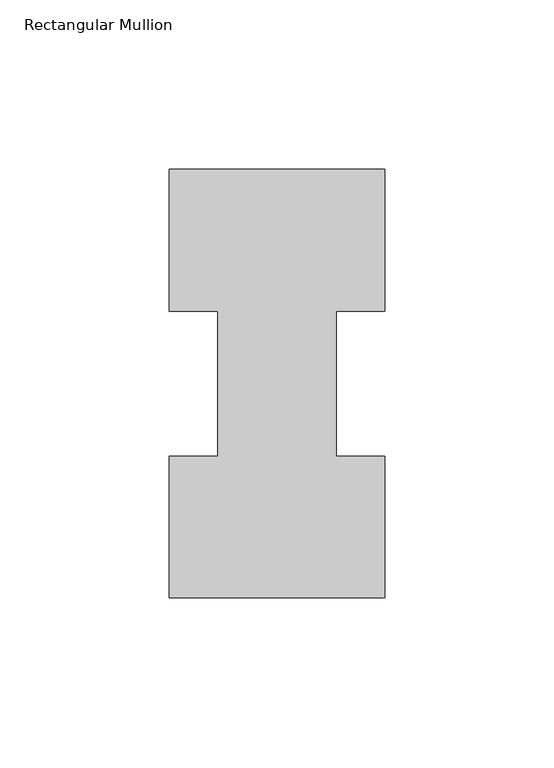
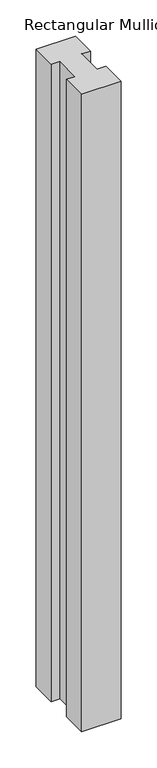
"""IFC4 building model written with IfcOpenShell, lengths in millimetres: member geometry, Rectangular Mullion."""

from ifc_helpers import new_model, si_unit, frame, origin, place, context, project, spatial, polyline, outline, extrude, source, transform, mapped, element, save


def rectangular_mullion_cef7f991(model_context):
    return source(origin(), model_context, "Body", "SweptSolid", [
        extrude(outline(polyline([(-63.5, -0.0373063), (-63.5, 41.7837937), (-49.2125, 41.7837937), (-49.2125, 84.6335938), (-63.5, 84.6335938), (-63.5, 126.4546937), (0.0, 126.4546937), (0.0, 84.6335938), (-14.2748, 84.6335938), (-14.2748, 41.7837937), (0.0, 41.7837937), (0.0, -0.0373063), (-63.5, -0.0373063)])), frame((0.0, 0.0, -1079.50635), z_axis=(0.0, 0.0, 1.0), x_axis=(1.0, 0.0, 0.0)), (0.0, 0.0, 1.0), 1079.50635),
    ])


if __name__ == "__main__":
    model = new_model("IFC4")
    model_context = context("Model", 3, world=origin())
    ifc_project = project(units=[si_unit("LENGTHUNIT", "METRE", prefix="MILLI")], contexts=[model_context])
    site = spatial("IfcSite", under=ifc_project)
    building = spatial("IfcBuilding", under=site)
    placement = place(None, origin())
    rectangular_mullion_shape = rectangular_mullion_cef7f991(model_context)
    element("IfcMember", 1, ObjectType="Rectangular Mullion", at=placement, inside=building, context=model_context, shape_type="MappedRepresentation", body=[
        mapped(rectangular_mullion_shape, transform((0.0, 0.0, 0.0), x_axis=(1.0, 0.0, 0.0), y_axis=(0.0, 1.0, 0.0), z_axis=(0.0, 0.0, 1.0))),
    ])
    save(model, "model.ifc")
